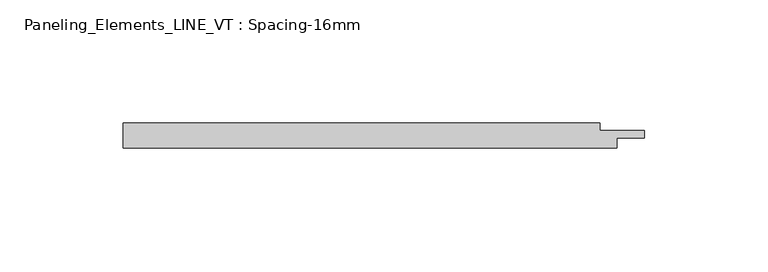
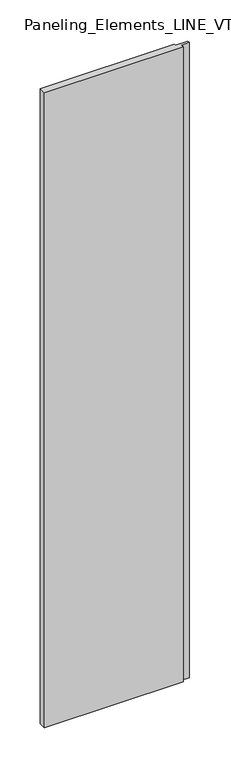
"""IFC4 building model written with IfcOpenShell, lengths in millimetres: plate geometry, Paneling_Elements_LINE_VT : Spacing-16mm."""

from ifc_helpers import new_model, si_unit, origin, origin_with_axes, place, context, project, spatial, polyline, outline, extrude, source, transform, mapped, element, save


def paneling_elements_line_vt_spacing_16mm_7e626b01(model_context):
    return source(origin(), model_context, "Body", "SweptSolid", [
        extrude(outline(polyline([(-100.0, -5.0), (-100.0, 5.0), (93.0, 5.0), (93.0, 2.0), (111.0, 2.0), (111.0, -1.0), (100.0, -1.0), (100.0, -5.0), (-100.0, -5.0)])), origin_with_axes(), (0.0, 0.0, 1.0), 966.8),
    ])


if __name__ == "__main__":
    model = new_model("IFC4")
    model_context = context("Model", 3, world=origin())
    ifc_project = project(units=[si_unit("LENGTHUNIT", "METRE", prefix="MILLI")], contexts=[model_context])
    site = spatial("IfcSite", under=ifc_project)
    building = spatial("IfcBuilding", under=site)
    placement = place(None, origin())
    paneling_elements_line_vt_spacing_16mm_shape = paneling_elements_line_vt_spacing_16mm_7e626b01(model_context)
    element("IfcPlate", 1, ObjectType="Paneling_Elements_LINE_VT : Spacing-16mm", at=placement, inside=building, context=model_context, shape_type="MappedRepresentation", body=[
        mapped(paneling_elements_line_vt_spacing_16mm_shape, transform((0.0, 0.0, 0.0), x_axis=(1.0, 0.0, 0.0), y_axis=(0.0, 1.0, 0.0), z_axis=(0.0, 0.0, 1.0))),
    ])
    save(model, "model.ifc")
